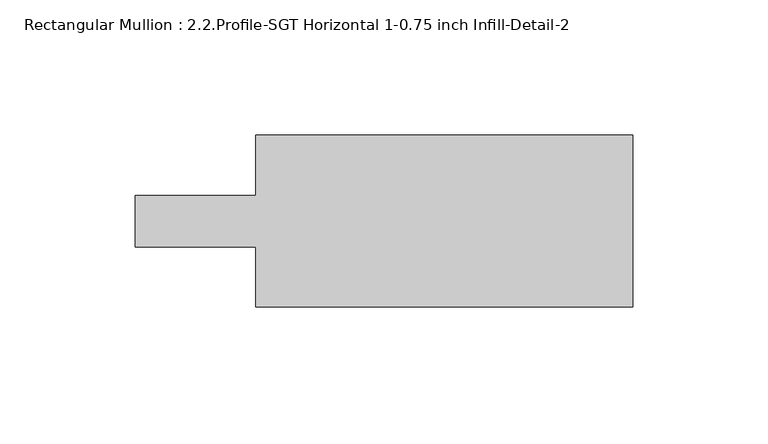
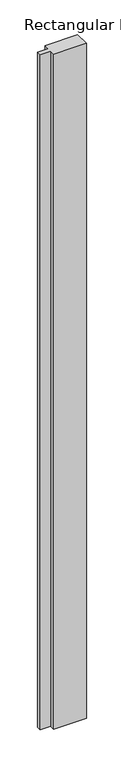
"""IFC4 building model written with IfcOpenShell, lengths in millimetres: member geometry, Rectangular Mullion : 2.2.Profile-SGT Horizontal 1-0.75 inch Infill-Detail-2."""

import ifcopenshell
import ifcopenshell.guid

model = None  # the IFC model being written
_history = None  # IfcOwnerHistory: only IFC2X3 demands one
_inside = {}  # id of a spatial element -> (the spatial element, [elements in it])
_under = {}  # id of a project, library or spatial element -> (it, [spatial elements below it])
_declared = {}  # id of a project -> (the project, [libraries it declares])
_typed = {}  # id of a type object -> (the type object, [elements of that type])
_made_of = {}  # id of a material, layer set ... -> (it, [elements and type objects made of it])


def new_model(schema):
    """Start an empty IFC model of exactly this schema.

    Asked for "IFC4X3", IfcOpenShell would pick the latest addendum, in which some entities
    have other attributes; the version numbers below select the first issue.
    IFC2X3 requires an IfcOwnerHistory on every rooted entity: one is made here for all.
    """
    global model, _history
    if schema == "IFC4X3":
        model = ifcopenshell.file(schema_version=(4, 3, 0, 0))
    else:
        model = ifcopenshell.file(schema=schema)
    _inside.clear()
    _under.clear()
    _declared.clear()
    _typed.clear()
    _made_of.clear()
    _history = None
    if model.schema == "IFC2X3":
        org = make("IfcOrganization", Name="unknown")
        user = make(
            "IfcPersonAndOrganization",
            ThePerson=make("IfcPerson", FamilyName="unknown"),
            TheOrganization=org,
        )
        app = make(
            "IfcApplication",
            ApplicationDeveloper=org,
            Version="unknown",
            ApplicationFullName="unknown",
            ApplicationIdentifier="unknown",
        )
        _history = make(
            "IfcOwnerHistory",
            OwningUser=user,
            OwningApplication=app,
            ChangeAction="ADDED",
            CreationDate=0,
        )
    return model


def make(cls, **values):
    """One entity of the class cls with the attributes given. An attribute that is None is left unset."""
    return model.create_entity(
        cls, **{name: value for name, value in values.items() if value is not None}
    )


def rooted(cls, **values):
    """An entity with a GlobalId (a new one), such as an element, a storey or a relation."""
    return make(cls, GlobalId=ifcopenshell.guid.new(), OwnerHistory=_history, **values)


def si_unit(unit_type, name, prefix=None):
    """IfcSIUnit, for example si_unit("LENGTHUNIT", "METRE", prefix="MILLI")."""
    return make("IfcSIUnit", UnitType=unit_type, Prefix=prefix, Name=name)


def assignment(units):
    """IfcUnitAssignment: the units of a project."""
    return None if units is None else make("IfcUnitAssignment", Units=units)


def point(xyz):
    """IfcCartesianPoint."""
    return None if xyz is None else make("IfcCartesianPoint", Coordinates=xyz)


def direction(xyz):
    """IfcDirection."""
    return None if xyz is None else make("IfcDirection", DirectionRatios=xyz)


def frame(location, z_axis=None, x_axis=None):
    """IfcAxis2Placement3D, a coordinate frame: its origin and axes. An axis left out is left unset."""
    return make(
        "IfcAxis2Placement3D",
        Location=point(location),
        Axis=direction(z_axis),
        RefDirection=direction(x_axis),
    )


def origin():
    """The frame at (0, 0, 0) with its axes left unset."""
    return frame((0.0, 0.0, 0.0))


def place(relative_to, where):
    """IfcLocalPlacement: puts the frame where relative to a parent placement (None: the world)."""
    return make(
        "IfcLocalPlacement", PlacementRelTo=relative_to, RelativePlacement=where
    )


def context(
    kind, dimensions, precision=None, world=None, true_north=None, identifier=None
):
    """IfcGeometricRepresentationContext, for example the 3D "Model" context."""
    return make(
        "IfcGeometricRepresentationContext",
        ContextIdentifier=identifier,
        ContextType=kind,
        CoordinateSpaceDimension=dimensions,
        Precision=precision,
        WorldCoordinateSystem=world,
        TrueNorth=true_north,
    )


def project(units=None, contexts=None):
    """IfcProject with its units and contexts."""
    return rooted(
        "IfcProject",
        Name="project",
        RepresentationContexts=contexts,
        UnitsInContext=assignment(units),
    )


def spatial(cls, under=None, at=None, **own):
    """A site, building, storey or space (cls), placed at a placement, below another one or the project."""
    s = rooted(cls, ObjectPlacement=at, **own)
    if under is not None:
        _under.setdefault(under.id(), (under, []))[1].append(s)
    return s


def polyline(points):
    """IfcPolyline through the points."""
    return make("IfcPolyline", Points=[point(p) for p in points])


def outline(outer, holes=None, kind="AREA"):
    """IfcArbitraryClosedProfileDef: a profile drawn as a closed curve; with holes, ...WithVoids."""
    if holes is None:
        return make("IfcArbitraryClosedProfileDef", ProfileType=kind, OuterCurve=outer)
    return make(
        "IfcArbitraryProfileDefWithVoids",
        ProfileType=kind,
        OuterCurve=outer,
        InnerCurves=holes,
    )


def extrude(swept, where, along, depth):
    """IfcExtrudedAreaSolid: the profile swept, set in the frame where, extruded along a direction by depth."""
    return make(
        "IfcExtrudedAreaSolid",
        SweptArea=swept,
        Position=where,
        ExtrudedDirection=direction(along),
        Depth=depth,
    )


def shape(context_of_items, identifier, shape_type, items):
    """IfcShapeRepresentation: the items that make up one representation, for example the "Body"."""
    return make(
        "IfcShapeRepresentation",
        ContextOfItems=context_of_items,
        RepresentationIdentifier=identifier,
        RepresentationType=shape_type,
        Items=items,
    )


def source(mapping_origin, context_of_items, identifier, shape_type, items):
    """IfcRepresentationMap: a shape defined once, which mapped items show again and again."""
    return make(
        "IfcRepresentationMap",
        MappingOrigin=mapping_origin,
        MappedRepresentation=shape(context_of_items, identifier, shape_type, items),
    )


def transform(
    local_origin,
    x_axis=None,
    y_axis=None,
    z_axis=None,
    scale=None,
    scale2=None,
    scale3=None,
    uniform=True,
):
    """IfcCartesianTransformationOperator3D, or its non-uniform kind. x_axis, y_axis, z_axis: its Axis1, 2, 3."""
    if uniform:
        return make(
            "IfcCartesianTransformationOperator3D",
            Axis1=direction(x_axis),
            Axis2=direction(y_axis),
            LocalOrigin=point(local_origin),
            Scale=scale,
            Axis3=direction(z_axis),
        )
    return make(
        "IfcCartesianTransformationOperator3DnonUniform",
        Axis1=direction(x_axis),
        Axis2=direction(y_axis),
        LocalOrigin=point(local_origin),
        Scale=scale,
        Axis3=direction(z_axis),
        Scale2=scale2,
        Scale3=scale3,
    )


def mapped(mapping_source, mapping_target):
    """IfcMappedItem: shows the shape of a source again, moved by a transform."""
    return make(
        "IfcMappedItem", MappingSource=mapping_source, MappingTarget=mapping_target
    )


def made_of(thing, what):
    """Note that an element or type object is made of a material, layer set ...; save() writes the relation."""
    if what is not None:
        _made_of.setdefault(what.id(), (what, []))[1].append(thing)
    return thing


def element(
    cls,
    number,
    at=None,
    inside=None,
    cuts=None,
    type_object=None,
    material=None,
    context=None,
    identifier="Body",
    shape_type=None,
    held_by="IfcProductDefinitionShape",
    body=None,
    shapes=None,
    **own,
):
    """One element of the class cls, such as IfcWall. Its Tag is "e" and its number.

    at: its placement. inside: the storey or other place that contains it. cuts: it is an
    opening in that element (IfcRelVoidsElement). A single representation is given by context,
    identifier, shape_type and body (its items); several are given by shapes. held_by: the class
    of the entity that holds the representations. save() writes the other relations.
    """
    e = rooted(cls, Tag="e%d" % number, ObjectPlacement=at, **own)
    if body is not None:
        shapes = [shape(context, identifier, shape_type, body)]
    if shapes is not None:
        e.Representation = make(held_by, Representations=shapes)
    if inside is not None:
        _inside.setdefault(inside.id(), (inside, []))[1].append(e)
    if cuts is not None:
        rooted(
            "IfcRelVoidsElement", RelatingBuildingElement=cuts, RelatedOpeningElement=e
        )
    if type_object is not None:
        _typed.setdefault(type_object.id(), (type_object, []))[1].append(e)
    return made_of(e, material)


def aggregate(whole, parts):
    """IfcRelAggregates: a whole, such as a stair, and the parts it consists of."""
    return rooted("IfcRelAggregates", RelatingObject=whole, RelatedObjects=parts)


def save(model, path):
    """Write the relations noted so far, then the file.

    IfcRelAggregates (storeys below a building ...), IfcRelContainedInSpatialStructure (elements
    in a storey), IfcRelDefinesByType, IfcRelAssociatesMaterial and IfcRelDeclares: one each for
    every whole, place, type object, material and project.
    """
    for whole, parts in _under.values():
        aggregate(whole, parts)
    for where, things in _inside.values():
        rooted(
            "IfcRelContainedInSpatialStructure",
            RelatedElements=things,
            RelatingStructure=where,
        )
    for kind, things in _typed.values():
        rooted("IfcRelDefinesByType", RelatedObjects=things, RelatingType=kind)
    for what, things in _made_of.values():
        rooted("IfcRelAssociatesMaterial", RelatedObjects=things, RelatingMaterial=what)
    for by, libraries in _declared.values():
        rooted("IfcRelDeclares", RelatingContext=by, RelatedDefinitions=libraries)
    model.write(path)


def rectangular_mullion_2_2_profile_sgt_horizontal_1_0_75_inch_41949f77(model_context):
    return source(origin(), model_context, "Body", "SweptSolid", [
        extrude(outline(polyline([(-139.192, 31.7501132), (0.0, 31.7499997), (0.0, -31.7499997), (-139.192, -31.7501132), (-139.192, -9.5251132), (-183.6420265, -9.5251132), (-183.6419735, 9.5251132), (-139.192, 9.5251132), (-139.192, 31.7501132)])), frame((0.0, 0.0, -3048.0), z_axis=(0.0, 0.0, 1.0), x_axis=(1.0, 0.0, 0.0)), (0.0, 0.0, 1.0), 3048.0),
    ])


if __name__ == "__main__":
    model = new_model("IFC4")
    model_context = context("Model", 3, world=origin())
    ifc_project = project(units=[si_unit("LENGTHUNIT", "METRE", prefix="MILLI")], contexts=[model_context])
    site = spatial("IfcSite", under=ifc_project)
    building = spatial("IfcBuilding", under=site)
    placement = place(None, origin())
    rectangular_mullion_2_2_profile_sgt_horizontal_1_0_75_inch_shape = rectangular_mullion_2_2_profile_sgt_horizontal_1_0_75_inch_41949f77(model_context)
    element("IfcMember", 1, ObjectType="Rectangular Mullion : 2.2.Profile-SGT Horizontal 1-0.75 inch Infill-Detail-2", at=placement, inside=building, context=model_context, shape_type="MappedRepresentation", body=[
        mapped(rectangular_mullion_2_2_profile_sgt_horizontal_1_0_75_inch_shape, transform((0.0, 0.0, 0.0), x_axis=(1.0, 0.0, 0.0), y_axis=(0.0, 1.0, 0.0), z_axis=(0.0, 0.0, 1.0))),
    ])
    save(model, "model.ifc")
